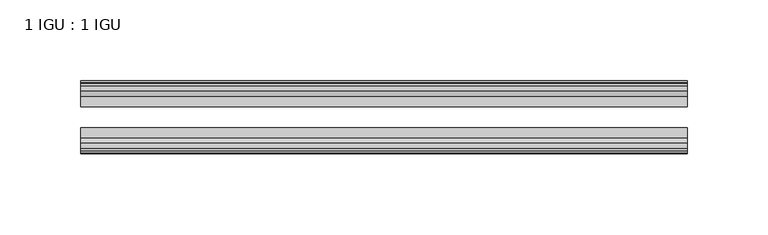
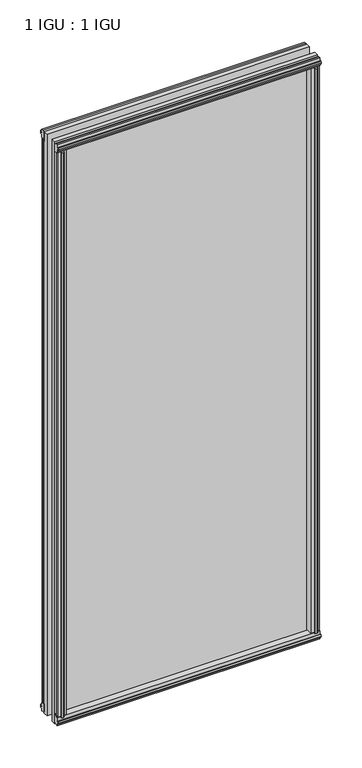
"""IFC4 building model written with IfcOpenShell, lengths in millimetres: plate geometry, 1 IGU : 1 IGU."""

from ifc_helpers import new_model, si_unit, frame, origin, origin_with_axes, place, context, project, spatial, polyline, outline, extrude, source, transform, mapped, element, save


def plate_1_igu_1_igu_593d1cfd(model_context):
    return source(origin(), model_context, "Body", "SweptSolid", [
        extrude(outline(polyline([(173.0011137, -19.5460937), (175.1063908, -13.1960937), (180.3135852, -13.1960937), (180.6945852, -10.8158968), (179.2790562, -11.27583), (179.2790562, -10.4746158), (181.4565852, -9.7670937), (183.6341143, -10.4746158), (183.6341143, -11.27583), (182.2185852, -10.8158968), (182.5995852, -13.1960937), (187.0445852, -13.1960937), (187.0445852, -16.1419073), (184.8315077, -19.5460937), (173.0011137, -19.5460937)])), origin_with_axes(), (0.0, 0.0, 1.0), 850.9),
        extrude(outline(polyline([(-173.0011137, -19.5460937), (-184.8315077, -19.5460937), (-187.0445852, -16.1419073), (-187.0445852, -13.1960937), (-182.5995852, -13.1960937), (-182.2185852, -10.8158968), (-183.6341143, -11.27583), (-183.6341143, -10.4746158), (-181.4565852, -9.7670937), (-179.2790562, -10.4746158), (-179.2790562, -11.27583), (-180.6945852, -10.8158968), (-180.3135852, -13.1960937), (-175.1063908, -13.1960937), (-173.0011137, -19.5460937)])), origin_with_axes(), (0.0, 0.0, 1.0), 850.9),
        extrude(outline(polyline([(-16.1419073, -12.4576852), (-19.5460937, -10.2446077), (-19.5460937, 1.5857863), (-13.1960937, -0.5194908), (-13.1960937, -5.7266852), (-10.8158968, -6.1076852), (-11.27583, -4.6921562), (-10.4746158, -4.6921562), (-9.7670937, -6.8696852), (-10.4746158, -9.0472143), (-11.27583, -9.0472143), (-10.8158968, -7.6316852), (-13.1960937, -8.0126852), (-13.1960937, -12.4576852), (-16.1419073, -12.4576852)])), frame((-187.2869, 0.0, 0.0), z_axis=(1.0, 0.0, 0.0), x_axis=(0.0, 1.0, 0.0)), (0.0, 0.0, 1.0), 374.5738),
        extrude(outline(polyline([(-48.3502802, -11.938), (-51.2960937, -11.938), (-51.2960937, -7.493), (-53.6762907, -7.112), (-53.2163575, -8.5275291), (-54.0175717, -8.5275291), (-54.7250937, -6.35), (-54.0175717, -4.172471), (-53.2163575, -4.172471), (-53.6762907, -5.588), (-51.2960937, -5.207), (-51.2960937, 0.0001944), (-44.9460937, 2.1054715), (-44.9460937, -9.7249225), (-48.3502802, -11.938)])), frame((-187.2869, 0.0, 0.0), z_axis=(1.0, 0.0, 0.0), x_axis=(0.0, 1.0, 0.0)), (0.0, 0.0, 1.0), 374.5738),
        extrude(outline(polyline([(-16.1028367, 863.3576852), (-13.1960937, 863.3576852), (-13.1960937, 858.9126852), (-10.8158968, 858.5316852), (-11.27583, 859.9472143), (-10.4746158, 859.9472143), (-9.7670937, 857.7696852), (-10.4746158, 855.5921562), (-11.27583, 855.5921562), (-10.8158968, 857.0076852), (-13.1960937, 856.6266852), (-13.1960937, 851.3940908), (-19.5460937, 849.2888137), (-19.5460937, 861.1192077), (-16.1028367, 863.3576852)])), frame((-187.2869, 0.0, 0.0), z_axis=(1.0, 0.0, 0.0), x_axis=(0.0, 1.0, 0.0)), (0.0, 0.0, 1.0), 374.5738),
        extrude(outline(polyline([(-48.3893508, 862.8126), (-44.9460937, 860.5741225), (-44.9460937, 848.7437285), (-51.2960937, 850.8490056), (-51.2960937, 856.0816), (-53.6762907, 856.4626), (-53.2163575, 855.047071), (-54.0175717, 855.047071), (-54.7250938, 857.2246), (-54.0175717, 859.4021291), (-53.2163575, 859.4021291), (-53.6762907, 857.9866), (-51.2960937, 858.3676), (-51.2960937, 862.8126), (-48.3893508, 862.8126)])), frame((-187.2869, 0.0, 0.0), z_axis=(1.0, 0.0, 0.0), x_axis=(0.0, 1.0, 0.0)), (0.0, 0.0, 1.0), 374.5738),
        extrude(outline(polyline([(-172.4814285, -44.9460938), (-174.5867056, -51.2960938), (-179.7939, -51.2960938), (-180.1749, -53.6762907), (-178.759371, -53.2163575), (-178.759371, -54.0175717), (-180.9369, -54.7250938), (-183.1144291, -54.0175717), (-183.1144291, -53.2163575), (-181.6989, -53.6762907), (-182.0799, -51.2960938), (-186.5249, -51.2960938), (-186.5249, -48.3502802), (-184.3118225, -44.9460938), (-172.4814285, -44.9460938)])), origin_with_axes(), (0.0, 0.0, 1.0), 850.9),
        extrude(outline(polyline([(172.4814285, -44.9460938), (184.3118225, -44.9460938), (186.5249, -48.3502802), (186.5249, -51.2960938), (182.0799, -51.2960938), (181.6989, -53.6762907), (183.1144291, -53.2163575), (183.1144291, -54.0175717), (180.9369, -54.7250938), (178.759371, -54.0175717), (178.759371, -53.2163575), (180.1749, -53.6762907), (179.7939, -51.2960938), (174.5867056, -51.2960938), (172.4814285, -44.9460938)])), origin_with_axes(), (0.0, 0.0, 1.0), 850.9),
        extrude(outline(polyline([(187.2869, -19.5460937), (187.2869, -25.8337453), (-187.2869, -25.8337453), (-187.2869, -19.5460937), (187.2869, -19.5460937)])), frame((0.0, 0.0, -12.7), z_axis=(0.0, 0.0, 1.0), x_axis=(1.0, 0.0, 0.0)), (0.0, 0.0, 1.0), 876.2872998),
        extrude(outline(polyline([(-187.2869, -44.9460937), (-187.2869, -38.6468938), (187.2869, -38.6468938), (187.2869, -44.9460937), (-187.2869, -44.9460937)])), frame((0.0, 0.0, -12.7), z_axis=(0.0, 0.0, 1.0), x_axis=(1.0, 0.0, 0.0)), (0.0, 0.0, 1.0), 876.2872998),
    ])


if __name__ == "__main__":
    model = new_model("IFC4")
    model_context = context("Model", 3, world=origin())
    ifc_project = project(units=[si_unit("LENGTHUNIT", "METRE", prefix="MILLI")], contexts=[model_context])
    site = spatial("IfcSite", under=ifc_project)
    building = spatial("IfcBuilding", under=site)
    placement = place(None, origin())
    plate_1_igu_1_igu_shape = plate_1_igu_1_igu_593d1cfd(model_context)
    element("IfcPlate", 1, ObjectType="1 IGU : 1 IGU", at=placement, inside=building, context=model_context, shape_type="MappedRepresentation", body=[
        mapped(plate_1_igu_1_igu_shape, transform((0.0, 0.0, 0.0), x_axis=(1.0, 0.0, 0.0), y_axis=(0.0, 1.0, 0.0), z_axis=(0.0, 0.0, 1.0))),
    ])
    save(model, "model.ifc")
